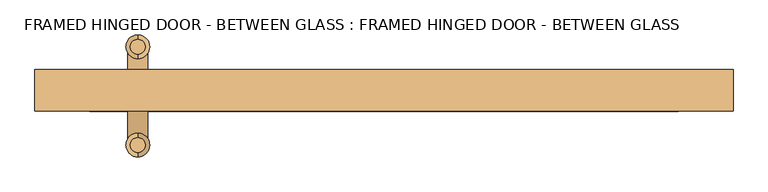
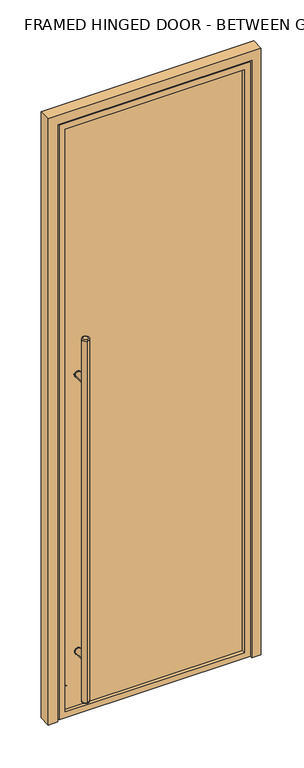
"""IFC4 building model written with IfcOpenShell, lengths in millimetres: door geometry, FRAMED HINGED DOOR - BETWEEN GLASS : FRAMED HINGED DOOR - BETWEEN GLASS."""

import ifcopenshell
import ifcopenshell.guid

model = None  # the IFC model being written
_history = None  # IfcOwnerHistory: only IFC2X3 demands one
_inside = {}  # id of a spatial element -> (the spatial element, [elements in it])
_under = {}  # id of a project, library or spatial element -> (it, [spatial elements below it])
_declared = {}  # id of a project -> (the project, [libraries it declares])
_typed = {}  # id of a type object -> (the type object, [elements of that type])
_made_of = {}  # id of a material, layer set ... -> (it, [elements and type objects made of it])


def new_model(schema):
    """Start an empty IFC model of exactly this schema.

    Asked for "IFC4X3", IfcOpenShell would pick the latest addendum, in which some entities
    have other attributes; the version numbers below select the first issue.
    IFC2X3 requires an IfcOwnerHistory on every rooted entity: one is made here for all.
    """
    global model, _history
    if schema == "IFC4X3":
        model = ifcopenshell.file(schema_version=(4, 3, 0, 0))
    else:
        model = ifcopenshell.file(schema=schema)
    _inside.clear()
    _under.clear()
    _declared.clear()
    _typed.clear()
    _made_of.clear()
    _history = None
    if model.schema == "IFC2X3":
        org = make("IfcOrganization", Name="unknown")
        user = make(
            "IfcPersonAndOrganization",
            ThePerson=make("IfcPerson", FamilyName="unknown"),
            TheOrganization=org,
        )
        app = make(
            "IfcApplication",
            ApplicationDeveloper=org,
            Version="unknown",
            ApplicationFullName="unknown",
            ApplicationIdentifier="unknown",
        )
        _history = make(
            "IfcOwnerHistory",
            OwningUser=user,
            OwningApplication=app,
            ChangeAction="ADDED",
            CreationDate=0,
        )
    return model


def make(cls, **values):
    """One entity of the class cls with the attributes given. An attribute that is None is left unset."""
    return model.create_entity(
        cls, **{name: value for name, value in values.items() if value is not None}
    )


def rooted(cls, **values):
    """An entity with a GlobalId (a new one), such as an element, a storey or a relation."""
    return make(cls, GlobalId=ifcopenshell.guid.new(), OwnerHistory=_history, **values)


def si_unit(unit_type, name, prefix=None):
    """IfcSIUnit, for example si_unit("LENGTHUNIT", "METRE", prefix="MILLI")."""
    return make("IfcSIUnit", UnitType=unit_type, Prefix=prefix, Name=name)


def assignment(units):
    """IfcUnitAssignment: the units of a project."""
    return None if units is None else make("IfcUnitAssignment", Units=units)


def point(xyz):
    """IfcCartesianPoint."""
    return None if xyz is None else make("IfcCartesianPoint", Coordinates=xyz)


def direction(xyz):
    """IfcDirection."""
    return None if xyz is None else make("IfcDirection", DirectionRatios=xyz)


def frame(location, z_axis=None, x_axis=None):
    """IfcAxis2Placement3D, a coordinate frame: its origin and axes. An axis left out is left unset."""
    return make(
        "IfcAxis2Placement3D",
        Location=point(location),
        Axis=direction(z_axis),
        RefDirection=direction(x_axis),
    )


def frame_2d(location, x_axis=None):
    """IfcAxis2Placement2D, a coordinate frame in the plane: its origin and x axis."""
    return make(
        "IfcAxis2Placement2D", Location=point(location), RefDirection=direction(x_axis)
    )


def origin():
    """The frame at (0, 0, 0) with its axes left unset."""
    return frame((0.0, 0.0, 0.0))


def place(relative_to, where):
    """IfcLocalPlacement: puts the frame where relative to a parent placement (None: the world)."""
    return make(
        "IfcLocalPlacement", PlacementRelTo=relative_to, RelativePlacement=where
    )


def context(
    kind, dimensions, precision=None, world=None, true_north=None, identifier=None
):
    """IfcGeometricRepresentationContext, for example the 3D "Model" context."""
    return make(
        "IfcGeometricRepresentationContext",
        ContextIdentifier=identifier,
        ContextType=kind,
        CoordinateSpaceDimension=dimensions,
        Precision=precision,
        WorldCoordinateSystem=world,
        TrueNorth=true_north,
    )


def project(units=None, contexts=None):
    """IfcProject with its units and contexts."""
    return rooted(
        "IfcProject",
        Name="project",
        RepresentationContexts=contexts,
        UnitsInContext=assignment(units),
    )


def spatial(cls, under=None, at=None, **own):
    """A site, building, storey or space (cls), placed at a placement, below another one or the project."""
    s = rooted(cls, ObjectPlacement=at, **own)
    if under is not None:
        _under.setdefault(under.id(), (under, []))[1].append(s)
    return s


def polyline(points):
    """IfcPolyline through the points."""
    return make("IfcPolyline", Points=[point(p) for p in points])


def circle_curve(where, radius):
    """IfcCircle in the frame where."""
    return make("IfcCircle", Position=where, Radius=radius)


def ellipse_curve(where, semi_axis1, semi_axis2):
    """IfcEllipse in the frame where."""
    return make(
        "IfcEllipse", Position=where, SemiAxis1=semi_axis1, SemiAxis2=semi_axis2
    )


def trimmed(basis, trim1, trim2, sense, master):
    """IfcTrimmedCurve: the piece of a basis curve between two trims."""
    return make(
        "IfcTrimmedCurve",
        BasisCurve=basis,
        Trim1=trim1,
        Trim2=trim2,
        SenseAgreement=sense,
        MasterRepresentation=master,
    )


def segment(curve, same_sense, transition):
    """IfcCompositeCurveSegment."""
    return make(
        "IfcCompositeCurveSegment",
        Transition=transition,
        SameSense=same_sense,
        ParentCurve=curve,
    )


def composite_curve(segments, self_intersect=None):
    """IfcCompositeCurve: segments joined end to end."""
    return make("IfcCompositeCurve", Segments=segments, SelfIntersect=self_intersect)


def outline(outer, holes=None, kind="AREA"):
    """IfcArbitraryClosedProfileDef: a profile drawn as a closed curve; with holes, ...WithVoids."""
    if holes is None:
        return make("IfcArbitraryClosedProfileDef", ProfileType=kind, OuterCurve=outer)
    return make(
        "IfcArbitraryProfileDefWithVoids",
        ProfileType=kind,
        OuterCurve=outer,
        InnerCurves=holes,
    )


def extrude(swept, where, along, depth):
    """IfcExtrudedAreaSolid: the profile swept, set in the frame where, extruded along a direction by depth."""
    return make(
        "IfcExtrudedAreaSolid",
        SweptArea=swept,
        Position=where,
        ExtrudedDirection=direction(along),
        Depth=depth,
    )


def faces_of(points, faces, orient=None, outer=None):
    """IfcFace entities. A face is a list of loops; a loop is a list of indices into points, from 0.

    orient and outer hold one flag for each loop. By default every Orientation is true, the
    first loop of a face is its IfcFaceOuterBound and the others are IfcFaceBound.
    """
    made = []
    for i, loops in enumerate(faces):
        bounds = []
        for j, loop in enumerate(loops):
            is_outer = j == 0 if outer is None else outer[i][j]
            bounds.append(
                make(
                    "IfcFaceOuterBound" if is_outer else "IfcFaceBound",
                    Bound=make("IfcPolyLoop", Polygon=[points[k] for k in loop]),
                    Orientation=True if orient is None else orient[i][j],
                )
            )
        made.append(make("IfcFace", Bounds=bounds))
    return made


def faceted_brep(points, faces, orient=None, outer=None, voids=None):
    """IfcFacetedBrep: a solid bounded by flat faces; with voids (closed shells), ...WithVoids."""
    shared = [point(p) for p in points]
    hull = make("IfcClosedShell", CfsFaces=faces_of(shared, faces, orient, outer))
    if voids is None:
        return make("IfcFacetedBrep", Outer=hull)
    return make(
        "IfcFacetedBrepWithVoids",
        Outer=hull,
        Voids=[
            make(cls, CfsFaces=faces_of(shared, fs, o, b)) for cls, fs, o, b in voids
        ],
    )


def shape(context_of_items, identifier, shape_type, items):
    """IfcShapeRepresentation: the items that make up one representation, for example the "Body"."""
    return make(
        "IfcShapeRepresentation",
        ContextOfItems=context_of_items,
        RepresentationIdentifier=identifier,
        RepresentationType=shape_type,
        Items=items,
    )


def source(mapping_origin, context_of_items, identifier, shape_type, items):
    """IfcRepresentationMap: a shape defined once, which mapped items show again and again."""
    return make(
        "IfcRepresentationMap",
        MappingOrigin=mapping_origin,
        MappedRepresentation=shape(context_of_items, identifier, shape_type, items),
    )


def transform(
    local_origin,
    x_axis=None,
    y_axis=None,
    z_axis=None,
    scale=None,
    scale2=None,
    scale3=None,
    uniform=True,
):
    """IfcCartesianTransformationOperator3D, or its non-uniform kind. x_axis, y_axis, z_axis: its Axis1, 2, 3."""
    if uniform:
        return make(
            "IfcCartesianTransformationOperator3D",
            Axis1=direction(x_axis),
            Axis2=direction(y_axis),
            LocalOrigin=point(local_origin),
            Scale=scale,
            Axis3=direction(z_axis),
        )
    return make(
        "IfcCartesianTransformationOperator3DnonUniform",
        Axis1=direction(x_axis),
        Axis2=direction(y_axis),
        LocalOrigin=point(local_origin),
        Scale=scale,
        Axis3=direction(z_axis),
        Scale2=scale2,
        Scale3=scale3,
    )


def mapped(mapping_source, mapping_target):
    """IfcMappedItem: shows the shape of a source again, moved by a transform."""
    return make(
        "IfcMappedItem", MappingSource=mapping_source, MappingTarget=mapping_target
    )


def made_of(thing, what):
    """Note that an element or type object is made of a material, layer set ...; save() writes the relation."""
    if what is not None:
        _made_of.setdefault(what.id(), (what, []))[1].append(thing)
    return thing


def element(
    cls,
    number,
    at=None,
    inside=None,
    cuts=None,
    type_object=None,
    material=None,
    context=None,
    identifier="Body",
    shape_type=None,
    held_by="IfcProductDefinitionShape",
    body=None,
    shapes=None,
    **own,
):
    """One element of the class cls, such as IfcWall. Its Tag is "e" and its number.

    at: its placement. inside: the storey or other place that contains it. cuts: it is an
    opening in that element (IfcRelVoidsElement). A single representation is given by context,
    identifier, shape_type and body (its items); several are given by shapes. held_by: the class
    of the entity that holds the representations. save() writes the other relations.
    """
    e = rooted(cls, Tag="e%d" % number, ObjectPlacement=at, **own)
    if body is not None:
        shapes = [shape(context, identifier, shape_type, body)]
    if shapes is not None:
        e.Representation = make(held_by, Representations=shapes)
    if inside is not None:
        _inside.setdefault(inside.id(), (inside, []))[1].append(e)
    if cuts is not None:
        rooted(
            "IfcRelVoidsElement", RelatingBuildingElement=cuts, RelatedOpeningElement=e
        )
    if type_object is not None:
        _typed.setdefault(type_object.id(), (type_object, []))[1].append(e)
    return made_of(e, material)


def aggregate(whole, parts):
    """IfcRelAggregates: a whole, such as a stair, and the parts it consists of."""
    return rooted("IfcRelAggregates", RelatingObject=whole, RelatedObjects=parts)


def save(model, path):
    """Write the relations noted so far, then the file.

    IfcRelAggregates (storeys below a building ...), IfcRelContainedInSpatialStructure (elements
    in a storey), IfcRelDefinesByType, IfcRelAssociatesMaterial and IfcRelDeclares: one each for
    every whole, place, type object, material and project.
    """
    for whole, parts in _under.values():
        aggregate(whole, parts)
    for where, things in _inside.values():
        rooted(
            "IfcRelContainedInSpatialStructure",
            RelatedElements=things,
            RelatingStructure=where,
        )
    for kind, things in _typed.values():
        rooted("IfcRelDefinesByType", RelatedObjects=things, RelatingType=kind)
    for what, things in _made_of.values():
        rooted("IfcRelAssociatesMaterial", RelatedObjects=things, RelatingMaterial=what)
    for by, libraries in _declared.values():
        rooted("IfcRelDeclares", RelatingContext=by, RelatedDefinitions=libraries)
    model.write(path)


def plane_surface(at):
    """IfcPlane: the flat surface through the origin of the frame at, square to its z axis."""
    return make("IfcPlane", Position=at)


def cylinder_surface(at, radius):
    """IfcCylindricalSurface: all points at the distance radius from the z axis of the frame at."""
    return make("IfcCylindricalSurface", Position=at, Radius=radius)


def revolved_surface(curve, axis_point, axis_direction):
    """IfcSurfaceOfRevolution: the curve turned about the line through axis_point along axis_direction."""
    return make(
        "IfcSurfaceOfRevolution",
        SweptCurve=make("IfcArbitraryOpenProfileDef", ProfileType="CURVE", Curve=curve),
        AxisPosition=make("IfcAxis1Placement", Location=point(axis_point), Axis=direction(axis_direction)),
    )


def advanced_brep(points, edges, surfaces, faces):
    """IfcAdvancedBrep: a solid bounded by faces that lie on surfaces and meet in shared edges.

    An edge is (start, end): straight between two places in points (the first is 0);
    or (start, end, curve); or (start, end, curve, False) where it runs against its curve.
    A face is (place in surfaces, loops), or (place, loops, False) where it looks against
    its surface's normal. A loop lists edges by number (the first is 1), with a minus sign
    where the edge is run from its end to its start. The first loop is the outer one.
    """
    corners = [point(p) for p in points]
    vertices = [make("IfcVertexPoint", VertexGeometry=c) for c in corners]
    made = []
    for start, end, *more in edges:
        made.append(
            make(
                "IfcEdgeCurve",
                EdgeStart=vertices[start],
                EdgeEnd=vertices[end],
                EdgeGeometry=more[0] if more else make("IfcPolyline", Points=[corners[start], corners[end]]),
                SameSense=more[1] if len(more) > 1 else True,
            )
        )
    hull = []
    for where, loops, *sense in faces:
        bounds = []
        for j, loop in enumerate(loops):
            ring = [make("IfcOrientedEdge", EdgeElement=made[abs(k) - 1], Orientation=k > 0) for k in loop]
            bounds.append(
                make(
                    "IfcFaceOuterBound" if j == 0 else "IfcFaceBound",
                    Bound=make("IfcEdgeLoop", EdgeList=ring),
                    Orientation=True,
                )
            )
        hull.append(make("IfcAdvancedFace", Bounds=bounds, FaceSurface=surfaces[where], SameSense=sense[0] if sense else True))
    return make("IfcAdvancedBrep", Outer=make("IfcClosedShell", CfsFaces=hull))


def framed_hinged_door_between_glass_framed_hinged_door_between_51235417(model_context):
    return source(origin(), model_context, "Body", "SolidModel", [
        extrude(outline(composite_curve([segment(trimmed(circle_curve(frame_2d((312.7375, -357.1875)), 15.875), [point((312.7375, -373.0625))], [point((312.7375, -341.3125))], False, "CARTESIAN"), True, "CONTINUOUS"), segment(trimmed(circle_curve(frame_2d((312.7375, -357.1875)), 15.875), [point((312.7375, -341.3125))], [point((312.7375, -373.0625))], False, "CARTESIAN"), True, "CONTINUOUS")], self_intersect=False)), frame((0.0, -1.5875, 0.0), z_axis=(0.0, 1.0, 0.0), x_axis=(0.0, 0.0, 1.0)), (0.0, 0.0, 1.0), 3.175),
        extrude(outline(composite_curve([segment(trimmed(circle_curve(frame_2d((1703.3875, -357.1875)), 15.875), [point((1703.3875, -341.3125))], [point((1703.3875, -373.0625))], False, "CARTESIAN"), True, "CONTINUOUS"), segment(trimmed(circle_curve(frame_2d((1703.3875, -357.1875)), 15.875), [point((1703.3875, -373.0625))], [point((1703.3875, -341.3125))], False, "CARTESIAN"), True, "CONTINUOUS")], self_intersect=False)), frame((0.0, -1.5875, 0.0), z_axis=(0.0, 1.0, 0.0), x_axis=(0.0, 0.0, 1.0)), (0.0, 0.0, 1.0), 3.175),
        extrude(outline(composite_curve([segment(trimmed(circle_curve(frame_2d((312.7375, -357.1875)), 15.875), [point((312.7375, -373.0625))], [point((312.7375, -341.3125))], False, "CARTESIAN"), True, "CONTINUOUS"), segment(trimmed(circle_curve(frame_2d((312.7375, -357.1875)), 15.875), [point((312.7375, -341.3125))], [point((312.7375, -373.0625))], False, "CARTESIAN"), True, "CONTINUOUS")], self_intersect=False)), frame((0.0, -17.4625, 0.0), z_axis=(0.0, 1.0, 0.0), x_axis=(0.0, 0.0, 1.0)), (0.0, 0.0, 1.0), 3.175),
        extrude(outline(composite_curve([segment(trimmed(circle_curve(frame_2d((1703.3875, -357.1875)), 15.875), [point((1703.3875, -373.0625))], [point((1703.3875, -341.3125))], False, "CARTESIAN"), True, "CONTINUOUS"), segment(trimmed(circle_curve(frame_2d((1703.3875, -357.1875)), 15.875), [point((1703.3875, -341.3125))], [point((1703.3875, -373.0625))], False, "CARTESIAN"), True, "CONTINUOUS")], self_intersect=False)), frame((0.0, -17.4625, 0.0), z_axis=(0.0, 1.0, 0.0), x_axis=(0.0, 0.0, 1.0)), (0.0, 0.0, 1.0), 3.175),
        extrude(outline(composite_curve([segment(trimmed(circle_curve(frame_2d((312.7375, -357.1875)), 14.2875), [point((312.7375, -342.9))], [point((312.7375, -371.475))], False, "CARTESIAN"), True, "CONTINUOUS"), segment(trimmed(circle_curve(frame_2d((312.7375, -357.1875)), 14.2875), [point((312.7375, -371.475))], [point((312.7375, -342.9))], False, "CARTESIAN"), True, "CONTINUOUS")], self_intersect=False)), frame((0.0, -79.375, 0.0), z_axis=(0.0, 1.0, 0.0), x_axis=(0.0, 0.0, 1.0)), (0.0, 0.0, 1.0), 65.0875),
        extrude(outline(composite_curve([segment(trimmed(circle_curve(frame_2d((1703.3875, -357.1875)), 14.2875), [point((1703.3875, -342.9))], [point((1703.3875, -371.475))], False, "CARTESIAN"), True, "CONTINUOUS"), segment(trimmed(circle_curve(frame_2d((1703.3875, -357.1875)), 14.2875), [point((1703.3875, -371.475))], [point((1703.3875, -342.9))], False, "CARTESIAN"), True, "CONTINUOUS")], self_intersect=False)), frame((0.0, -79.375, 0.0), z_axis=(0.0, 1.0, 0.0), x_axis=(0.0, 0.0, 1.0)), (0.0, 0.0, 1.0), 65.0875),
        advanced_brep(
        [(-357.1875, 52.705, 1924.05), (-357.1875, 74.295, 1924.05), (-357.1875, 74.295, 95.25), (-357.1875, 52.705, 95.25), (-357.1875, 80.645, 101.6), (-357.1875, 80.645, 1917.7), (-357.1875, 46.355, 1917.7), (-357.1875, 46.355, 101.6)],
        [
            (0, 1, circle_curve(frame((-357.1875, 63.5, 1924.05), z_axis=(0.0, 0.0, 1.0), x_axis=(0.0, -1.0, 0.0)), 10.795)),
            (1, 0, circle_curve(frame((-357.1875, 63.5, 1924.05), z_axis=(0.0, 0.0, 1.0), x_axis=(0.0, -1.0, 0.0)), 10.795)),
            (2, 3, circle_curve(frame((-357.1875, 63.5, 95.25), z_axis=(0.0, 0.0, -1.0), x_axis=(0.0, -1.0, 0.0)), 10.795)),
            (3, 2, circle_curve(frame((-357.1875, 63.5, 95.25), z_axis=(0.0, 0.0, -1.0), x_axis=(0.0, -1.0, 0.0)), 10.795)),
            (4, 5),
            (5, 6, circle_curve(frame((-357.1875, 63.5, 1917.7), z_axis=(0.0, 0.0, -1.0), x_axis=(0.0, -1.0, 0.0)), 17.145)),
            (6, 7),
            (7, 4, circle_curve(frame((-357.1875, 63.5, 101.6), z_axis=(0.0, 0.0, 1.0), x_axis=(0.0, -1.0, 0.0)), 17.145)),
            (6, 5, circle_curve(frame((-357.1875, 63.5, 1917.7), z_axis=(0.0, 0.0, -1.0), x_axis=(0.0, -1.0, 0.0)), 17.145)),
            (4, 7, circle_curve(frame((-357.1875, 63.5, 101.6), z_axis=(0.0, 0.0, 1.0), x_axis=(0.0, -1.0, 0.0)), 17.145)),
            (3, 7, circle_curve(frame((-357.1875, 52.705, 101.6), z_axis=(-1.0, 0.0, 0.0), x_axis=(0.0, -1.0, 0.0)), 6.35)),
            (4, 2, circle_curve(frame((-357.1875, 74.295, 101.6), z_axis=(-1.0, 0.0, 0.0), x_axis=(0.0, 1.0, 0.0)), 6.35)),
            (6, 0, circle_curve(frame((-357.1875, 52.705, 1917.7), z_axis=(-1.0, 0.0, 0.0), x_axis=(0.0, -1.0, 0.0)), 6.35)),
            (1, 5, circle_curve(frame((-357.1875, 74.295, 1917.7), z_axis=(-1.0, 0.0, 0.0), x_axis=(0.0, 1.0, 0.0)), 6.35)),
        ],
        [
            plane_surface(frame((-357.1875, -96.52, 1924.05), z_axis=(0.0, 0.0, 1.0), x_axis=(-1.0, 0.0, 0.0))),
            plane_surface(frame((-357.1875, -96.52, 95.25), z_axis=(0.0, 0.0, -1.0), x_axis=(1.0, 0.0, 0.0))),
            cylinder_surface(frame((-357.1875, 63.5, 95.25), z_axis=(0.0, 0.0, 1.0), x_axis=(0.0, -1.0, 0.0)), 17.145),
            revolved_surface(trimmed(ellipse_curve(frame((-357.1875, 52.705, 101.6), z_axis=(-1.0, 0.0, 0.0), x_axis=(0.0, -1.0, 0.0)), 6.35, 6.35), [point((-357.1875, 52.705, 95.25))], [point((-357.1875, 46.355, 101.6))], True, "CARTESIAN"), (-357.1875, 63.5, 2533.65), (0.0, 0.0, 1.0)),
            revolved_surface(trimmed(ellipse_curve(frame((-357.1875, 52.705, 1917.7), z_axis=(-1.0, 0.0, 0.0), x_axis=(0.0, -1.0, 0.0)), 6.35, 6.35), [point((-357.1875, 46.355, 1917.7))], [point((-357.1875, 52.705, 1924.05))], True, "CARTESIAN"), (-357.1875, 63.5, -514.35), (0.0, 0.0, 1.0)),
        ],
        [
            (0, [[1, 2]]),
            (1, [[3, 4]]),
            (2, [[5, 6, 7, 8]]),
            (2, [[-7, 9, -5, 10]]),
            (3, [[-4, 11, -10, 12]]),
            (3, [[-8, -11, -3, -12]]),
            (4, [[-9, 13, -2, 14]]),
            (4, [[-1, -13, -6, -14]]),
        ],
    ),
        advanced_brep(
        [(-357.1875, -90.17, 1924.05), (-357.1875, -68.58, 1924.05), (-357.1875, -68.58, 95.25), (-357.1875, -90.17, 95.25), (-357.1875, -62.23, 101.6), (-357.1875, -62.23, 1917.7), (-357.1875, -96.52, 1917.7), (-357.1875, -96.52, 101.6)],
        [
            (0, 1, circle_curve(frame((-357.1875, -79.375, 1924.05), z_axis=(0.0, 0.0, 1.0), x_axis=(0.0, 1.0, 0.0)), 10.795)),
            (1, 0, circle_curve(frame((-357.1875, -79.375, 1924.05), z_axis=(0.0, 0.0, 1.0), x_axis=(0.0, 1.0, 0.0)), 10.795)),
            (2, 3, circle_curve(frame((-357.1875, -79.375, 95.25), z_axis=(0.0, 0.0, -1.0), x_axis=(0.0, 1.0, 0.0)), 10.795)),
            (3, 2, circle_curve(frame((-357.1875, -79.375, 95.25), z_axis=(0.0, 0.0, -1.0), x_axis=(0.0, 1.0, 0.0)), 10.795)),
            (4, 5),
            (5, 6, circle_curve(frame((-357.1875, -79.375, 1917.7), z_axis=(0.0, 0.0, -1.0), x_axis=(0.0, -1.0, 0.0)), 17.145)),
            (6, 7),
            (7, 4, circle_curve(frame((-357.1875, -79.375, 101.6), z_axis=(0.0, 0.0, 1.0), x_axis=(0.0, -1.0, 0.0)), 17.145)),
            (6, 5, circle_curve(frame((-357.1875, -79.375, 1917.7), z_axis=(0.0, 0.0, -1.0), x_axis=(0.0, -1.0, 0.0)), 17.145)),
            (4, 7, circle_curve(frame((-357.1875, -79.375, 101.6), z_axis=(0.0, 0.0, 1.0), x_axis=(0.0, -1.0, 0.0)), 17.145)),
            (4, 2, circle_curve(frame((-357.1875, -68.58, 101.6), z_axis=(-1.0, 0.0, 0.0), x_axis=(0.0, 1.0, 0.0)), 6.35)),
            (3, 7, circle_curve(frame((-357.1875, -90.17, 101.6), z_axis=(-1.0, 0.0, 0.0), x_axis=(0.0, -1.0, 0.0)), 6.35)),
            (1, 5, circle_curve(frame((-357.1875, -68.58, 1917.7), z_axis=(-1.0, 0.0, 0.0), x_axis=(0.0, 1.0, 0.0)), 6.35)),
            (6, 0, circle_curve(frame((-357.1875, -90.17, 1917.7), z_axis=(-1.0, 0.0, 0.0), x_axis=(0.0, -1.0, 0.0)), 6.35)),
        ],
        [
            plane_surface(frame((-357.1875, -96.52, 1924.05), z_axis=(0.0, 0.0, 1.0), x_axis=(-1.0, 0.0, 0.0))),
            plane_surface(frame((-357.1875, -96.52, 95.25), z_axis=(0.0, 0.0, -1.0), x_axis=(1.0, 0.0, 0.0))),
            cylinder_surface(frame((-357.1875, -79.375, 95.25), z_axis=(0.0, 0.0, 1.0), x_axis=(0.0, -1.0, 0.0)), 17.145),
            revolved_surface(trimmed(ellipse_curve(frame((-357.1875, -68.58, 101.6), z_axis=(-1.0, 0.0, 0.0), x_axis=(0.0, 1.0, 0.0)), 6.35, 6.35), [point((-357.1875, -62.23, 101.6))], [point((-357.1875, -68.58, 95.25))], True, "CARTESIAN"), (-357.1875, -79.375, 2533.65), (0.0, 0.0, -1.0)),
            revolved_surface(trimmed(ellipse_curve(frame((-357.1875, -68.58, 1917.7), z_axis=(-1.0, 0.0, 0.0), x_axis=(0.0, 1.0, 0.0)), 6.35, 6.35), [point((-357.1875, -68.58, 1924.05))], [point((-357.1875, -62.23, 1917.7))], True, "CARTESIAN"), (-357.1875, -79.375, -514.35), (0.0, 0.0, -1.0)),
        ],
        [
            (0, [[1, 2]]),
            (1, [[3, 4]]),
            (2, [[5, 6, 7, 8]]),
            (2, [[-7, 9, -5, 10]]),
            (3, [[-10, 11, -4, 12]]),
            (3, [[-3, -11, -8, -12]]),
            (4, [[-2, 13, -9, 14]]),
            (4, [[-6, -13, -1, -14]]),
        ],
    ),
        extrude(outline(composite_curve([segment(trimmed(circle_curve(frame_2d((312.7375, -357.1875)), 14.2875), [point((312.7375, -342.9))], [point((312.7375, -371.475))], False, "CARTESIAN"), True, "CONTINUOUS"), segment(trimmed(circle_curve(frame_2d((312.7375, -357.1875)), 14.2875), [point((312.7375, -371.475))], [point((312.7375, -342.9))], False, "CARTESIAN"), True, "CONTINUOUS")], self_intersect=False)), frame((0.0, -1.5875, 0.0), z_axis=(0.0, 1.0, 0.0), x_axis=(0.0, 0.0, 1.0)), (0.0, 0.0, 1.0), 65.0875),
        extrude(outline(composite_curve([segment(trimmed(circle_curve(frame_2d((1703.3875, -357.1875)), 14.2875), [point((1703.3875, -342.9))], [point((1703.3875, -371.475))], False, "CARTESIAN"), True, "CONTINUOUS"), segment(trimmed(circle_curve(frame_2d((1703.3875, -357.1875)), 14.2875), [point((1703.3875, -371.475))], [point((1703.3875, -342.9))], False, "CARTESIAN"), True, "CONTINUOUS")], self_intersect=False)), frame((0.0, -1.5875, 0.0), z_axis=(0.0, 1.0, 0.0), x_axis=(0.0, 0.0, 1.0)), (0.0, 0.0, 1.0), 65.0875),
        extrude(outline(polyline([(9.525, -455.6125), (9.525, 455.6125), (2997.2, 455.6125), (2997.2, -455.6125), (9.525, -455.6125)]), holes=[polyline([(38.1, 427.0375), (38.1, -427.0375), (2968.625, -427.0375), (2968.625, 427.0375), (38.1, 427.0375)])]), frame((0.0, -30.1625, 0.0), z_axis=(0.0, 1.0, 0.0), x_axis=(0.0, 0.0, 1.0)), (0.0, 0.0, 1.0), 44.45),
        faceted_brep([(-506.4125, 30.1625, 0.0), (-449.2625, 30.1625, 0.0), (-449.2625, 17.4625, 0.0), (-461.9625, 17.4625, 0.0), (-461.9625, -30.1625, 0.0), (-506.4125, -30.1625, 0.0), (-506.4125, -30.1625, 3048.0), (-506.4125, 30.1625, 3048.0), (-461.9625, -30.1625, 3003.55), (461.9625, -30.1625, 3003.55), (461.9625, -30.1625, 0.0), (506.4125, -30.1625, 0.0), (506.4125, -30.1625, 3048.0), (-461.9625, 17.4625, 3003.55), (-449.2625, 17.4625, 2990.85), (449.2625, 17.4625, 2990.85), (449.2625, 17.4625, 0.0), (461.9625, 17.4625, 0.0), (461.9625, 17.4625, 3003.55), (-449.2625, 30.1625, 2990.85), (506.4125, 30.1625, 3048.0), (506.4125, 30.1625, 0.0), (449.2625, 30.1625, 0.0), (449.2625, 30.1625, 2990.85)], [[[0, 1, 2, 3, 4, 5]], [[5, 6, 7, 0]], [[4, 8, 9, 10, 11, 12, 6, 5]], [[3, 13, 8, 4]], [[2, 14, 15, 16, 17, 18, 13, 3]], [[1, 19, 14, 2]], [[0, 7, 20, 21, 22, 23, 19, 1]], [[21, 11, 10, 17, 16, 22]], [[23, 22, 16, 15]], [[18, 17, 10, 9]], [[12, 11, 21, 20]], [[6, 12, 20, 7]], [[13, 18, 9, 8]], [[19, 23, 15, 14]]]),
        extrude(outline(polyline([(427.0375, -1.5875), (427.0375, -14.2875), (-427.0375, -14.2875), (-427.0375, -1.5875), (427.0375, -1.5875)])), frame((0.0, 0.0, 38.1), z_axis=(0.0, 0.0, 1.0), x_axis=(1.0, 0.0, 0.0)), (0.0, 0.0, 1.0), 2930.525),
    ])


if __name__ == "__main__":
    model = new_model("IFC4")
    model_context = context("Model", 3, world=origin())
    ifc_project = project(units=[si_unit("LENGTHUNIT", "METRE", prefix="MILLI")], contexts=[model_context])
    site = spatial("IfcSite", under=ifc_project)
    building = spatial("IfcBuilding", under=site)
    placement = place(None, origin())
    framed_hinged_door_between_glass_framed_hinged_door_between_shape = framed_hinged_door_between_glass_framed_hinged_door_between_51235417(model_context)
    element("IfcDoor", 1, ObjectType="FRAMED HINGED DOOR - BETWEEN GLASS : FRAMED HINGED DOOR - BETWEEN GLASS", at=placement, inside=building, context=model_context, shape_type="MappedRepresentation", body=[
        mapped(framed_hinged_door_between_glass_framed_hinged_door_between_shape, transform((0.0, 0.0, 0.0), x_axis=(1.0, 0.0, 0.0), y_axis=(0.0, 1.0, 0.0), z_axis=(0.0, 0.0, 1.0))),
    ])
    save(model, "model.ifc")
